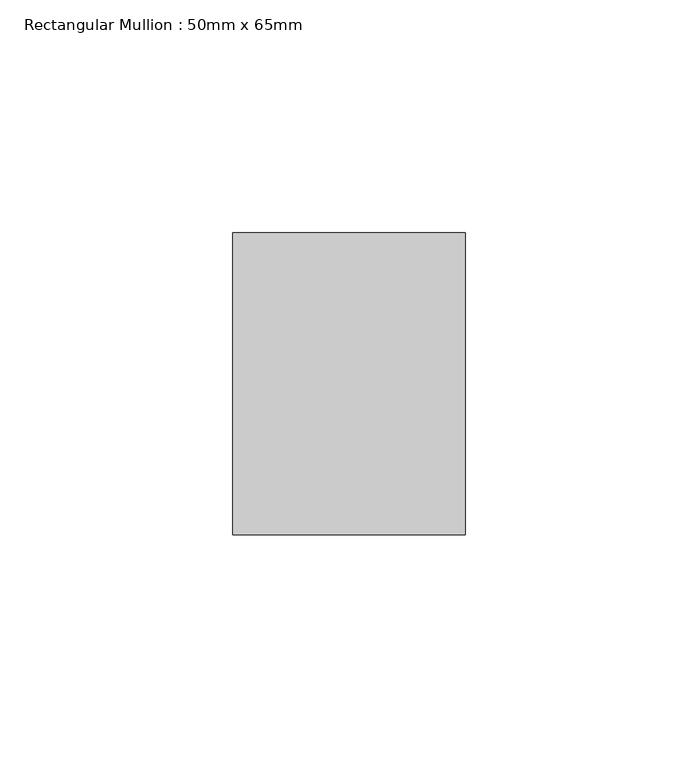
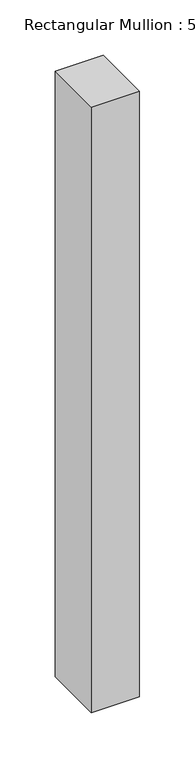
"""IFC4 building model written with IfcOpenShell, lengths in millimetres: member geometry, Rectangular Mullion : 50mm x 65mm."""

from ifc_helpers import new_model, si_unit, frame, origin, place, context, project, spatial, polyline, outline, extrude, source, transform, mapped, element, save


def rectangular_mullion_50mm_x_65mm_421fb773(model_context):
    return source(origin(), model_context, "Body", "SweptSolid", [
        extrude(outline(polyline([(25.0, 32.5), (25.0, -32.5), (-25.0, -32.5), (-25.0, 32.5), (25.0, 32.5)])), frame((0.0, 0.0, -667.5403685), z_axis=(0.0, 0.0, 1.0), x_axis=(1.0, 0.0, 0.0)), (0.0, 0.0, 1.0), 667.5403685),
    ])


if __name__ == "__main__":
    model = new_model("IFC4")
    model_context = context("Model", 3, world=origin())
    ifc_project = project(units=[si_unit("LENGTHUNIT", "METRE", prefix="MILLI")], contexts=[model_context])
    site = spatial("IfcSite", under=ifc_project)
    building = spatial("IfcBuilding", under=site)
    placement = place(None, origin())
    rectangular_mullion_50mm_x_65mm_shape = rectangular_mullion_50mm_x_65mm_421fb773(model_context)
    element("IfcMember", 1, ObjectType="Rectangular Mullion : 50mm x 65mm", at=placement, inside=building, context=model_context, shape_type="MappedRepresentation", body=[
        mapped(rectangular_mullion_50mm_x_65mm_shape, transform((0.0, 0.0, 0.0), x_axis=(1.0, 0.0, 0.0), y_axis=(0.0, 1.0, 0.0), z_axis=(0.0, 0.0, 1.0))),
    ])
    save(model, "model.ifc")
